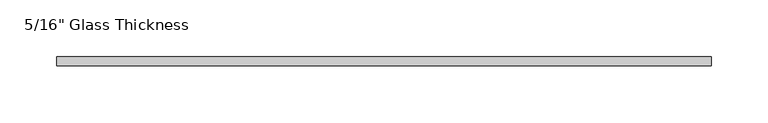
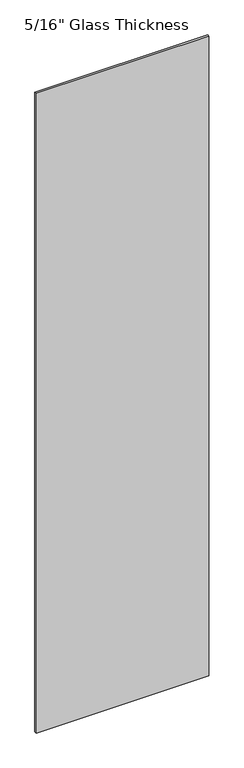
"""IFC4 building model written with IfcOpenShell, lengths in millimetres: plate geometry."""

from ifc_helpers import new_model, si_unit, origin, origin_with_axes, place, context, project, spatial, polyline, outline, extrude, source, transform, mapped, element, save


def plate_89dce889(model_context):
    return source(origin(), model_context, "Body", "SweptSolid", [
        extrude(outline(polyline([(289.4481802, 0.0), (-289.4481802, 0.0), (-289.4481802, 8.0), (289.4481802, 8.0), (289.4481802, 0.0)])), origin_with_axes(), (0.0, 0.0, 1.0), 2267.0),
    ])


if __name__ == "__main__":
    model = new_model("IFC4")
    model_context = context("Model", 3, world=origin())
    ifc_project = project(units=[si_unit("LENGTHUNIT", "METRE", prefix="MILLI")], contexts=[model_context])
    site = spatial("IfcSite", under=ifc_project)
    building = spatial("IfcBuilding", under=site)
    placement = place(None, origin())
    plate_shape = plate_89dce889(model_context)
    element("IfcPlate", 1, ObjectType="5/16\" Glass Thickness", at=placement, inside=building, context=model_context, shape_type="MappedRepresentation", body=[
        mapped(plate_shape, transform((0.0, 0.0, 0.0), x_axis=(1.0, 0.0, 0.0), y_axis=(0.0, 1.0, 0.0), z_axis=(0.0, 0.0, 1.0))),
    ])
    save(model, "model.ifc")
